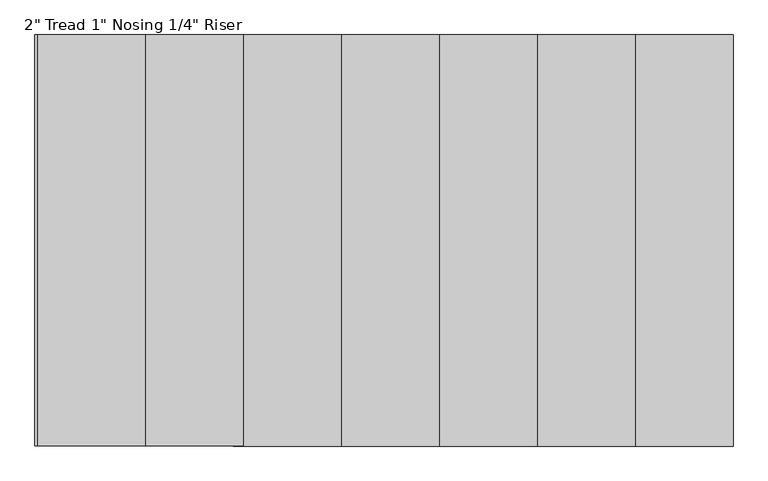
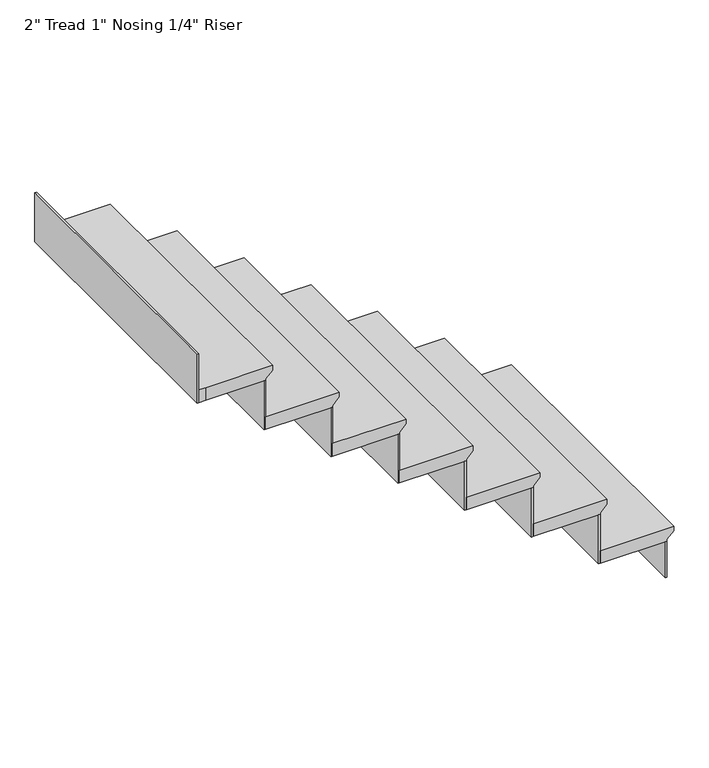
"""IFC4 building model written with IfcOpenShell, lengths in millimetres: stair flight geometry."""

from ifc_helpers import new_model, si_unit, origin, place, context, project, spatial, faceted_brep, source, transform, mapped, element, save


def stair_flight_ac3b1994(model_context):
    return source(origin(), model_context, "Body", "Brep", [
        faceted_brep([(2861.6897599, 584.3091366, -2572.2035714), (2861.6897599, 584.3091366, -2553.1535714), (2861.6897599, -482.4908634, -2553.1535714), (2861.6897599, -482.4908634, -2572.2035714), (2836.2897599, 584.3091366, -2597.6035714), (2836.2897599, -482.4908634, -2597.6035714), (2582.2897599, 584.3091366, -2553.1535714), (2582.2897599, -482.4908634, -2553.1535714), (2836.2897599, -482.4908634, -2603.9535714), (2582.2897599, -482.4908634, -2603.9535714), (2582.2897599, 584.3091366, -2603.9535714), (2836.2897599, 584.3091366, -2603.9535714)], [[[0, 1, 2, 3]], [[4, 0, 3, 5]], [[2, 1, 6, 7]], [[8, 9, 10, 11]], [[2, 7, 9, 8, 5, 3]], [[8, 11, 4, 5]], [[6, 1, 0, 4, 11, 10]], [[7, 6, 10, 9]]]),
        faceted_brep([(2836.2897599, 584.3091366, -2603.9535714), (2836.2897599, 584.3091366, -2749.55), (2829.9397599, 584.3091366, -2749.55), (2829.9397599, 584.3091366, -2603.9535714), (2836.2897599, -482.4908634, -2603.9535714), (2829.9397599, -482.4908634, -2603.9535714), (2829.9397599, -482.4908634, -2749.55), (2836.2897599, -482.4908634, -2749.55)], [[[0, 1, 2, 3]], [[4, 5, 6, 7]], [[1, 0, 4, 7]], [[2, 1, 7, 6]], [[3, 2, 6, 5]], [[0, 3, 5, 4]]]),
        faceted_brep([(2582.2897599, 584.3091366, -2407.5571429), (2582.2897599, 584.3091366, -2603.9535714), (2575.9397599, 584.3091366, -2603.9535714), (2575.9397599, 584.3091366, -2407.5571429), (2582.2897599, -482.4908634, -2407.5571429), (2575.9397599, -482.4908634, -2407.5571429), (2575.9397599, -482.4908634, -2603.9535714), (2582.2897599, -482.4908634, -2603.9535714)], [[[0, 1, 2, 3]], [[4, 5, 6, 7]], [[1, 0, 4, 7]], [[2, 1, 7, 6]], [[3, 2, 6, 5]], [[0, 3, 5, 4]]]),
        faceted_brep([(2607.6897599, -482.4908634, -2356.7571429), (2607.6897599, 584.3091366, -2356.7571429), (2328.2897599, 584.3091366, -2356.7571429), (2328.2897599, -482.4908634, -2356.7571429), (2582.2897599, -482.4908634, -2407.5571429), (2328.2897599, -482.4908634, -2407.5571429), (2328.2897599, 584.3091366, -2407.5571429), (2582.2897599, 584.3091366, -2407.5571429), (2582.2897599, -482.4908634, -2401.2071429), (2607.6897599, -482.4908634, -2375.8071429), (2582.2897599, 584.3091366, -2401.2071429), (2607.6897599, 584.3091366, -2375.8071429)], [[[0, 1, 2, 3]], [[4, 5, 6, 7]], [[0, 3, 5, 4, 8, 9]], [[4, 7, 10, 8]], [[2, 1, 11, 10, 7, 6]], [[3, 2, 6, 5]], [[11, 1, 0, 9]], [[10, 11, 9, 8]]]),
        faceted_brep([(2328.2897599, 584.3091366, -2211.1607143), (2328.2897599, 584.3091366, -2407.5571429), (2321.9397599, 584.3091366, -2407.5571429), (2321.9397599, 584.3091366, -2211.1607143), (2328.2897599, -482.4908634, -2211.1607143), (2321.9397599, -482.4908634, -2211.1607143), (2321.9397599, -482.4908634, -2407.5571429), (2328.2897599, -482.4908634, -2407.5571429)], [[[0, 1, 2, 3]], [[4, 5, 6, 7]], [[1, 0, 4, 7]], [[2, 1, 7, 6]], [[3, 2, 6, 5]], [[0, 3, 5, 4]]]),
        faceted_brep([(2353.6897599, -482.4908634, -2160.3607143), (2353.6897599, 584.3091366, -2160.3607143), (2074.2897599, 584.3091366, -2160.3607143), (2074.2897599, -482.4908634, -2160.3607143), (2328.2897599, -482.4908634, -2211.1607143), (2074.2897599, -482.4908634, -2211.1607143), (2074.2897599, 584.3091366, -2211.1607143), (2328.2897599, 584.3091366, -2211.1607143), (2328.2897599, -482.4908634, -2204.8107143), (2353.6897599, -482.4908634, -2179.4107143), (2328.2897599, 584.3091366, -2204.8107143), (2353.6897599, 584.3091366, -2179.4107143)], [[[0, 1, 2, 3]], [[4, 5, 6, 7]], [[0, 3, 5, 4, 8, 9]], [[4, 7, 10, 8]], [[2, 1, 11, 10, 7, 6]], [[3, 2, 6, 5]], [[11, 1, 0, 9]], [[10, 11, 9, 8]]]),
        faceted_brep([(2074.2897599, 584.3091366, -2014.7642857), (2074.2897599, 584.3091366, -2211.1607143), (2067.9397599, 584.3091366, -2211.1607143), (2067.9397599, 584.3091366, -2014.7642857), (2074.2897599, -482.4908634, -2014.7642857), (2067.9397599, -482.4908634, -2014.7642857), (2067.9397599, -482.4908634, -2211.1607143), (2074.2897599, -482.4908634, -2211.1607143)], [[[0, 1, 2, 3]], [[4, 5, 6, 7]], [[1, 0, 4, 7]], [[2, 1, 7, 6]], [[3, 2, 6, 5]], [[0, 3, 5, 4]]]),
        faceted_brep([(2099.6897599, -482.4908634, -1963.9642857), (2099.6897599, 584.3091366, -1963.9642857), (1820.2897599, 584.3091366, -1963.9642857), (1820.2897599, -482.4908634, -1963.9642857), (2074.2897599, -482.4908634, -2014.7642857), (1820.2897599, -482.4908634, -2014.7642857), (1820.2897599, 584.3091366, -2014.7642857), (2074.2897599, 584.3091366, -2014.7642857), (2074.2897599, -482.4908634, -2008.4142857), (2099.6897599, -482.4908634, -1983.0142857), (2074.2897599, 584.3091366, -2008.4142857), (2099.6897599, 584.3091366, -1983.0142857)], [[[0, 1, 2, 3]], [[4, 5, 6, 7]], [[0, 3, 5, 4, 8, 9]], [[4, 7, 10, 8]], [[2, 1, 11, 10, 7, 6]], [[3, 2, 6, 5]], [[11, 1, 0, 9]], [[10, 11, 9, 8]]]),
        faceted_brep([(1820.2897599, 584.3091366, -1818.3678571), (1820.2897599, 584.3091366, -2014.7642857), (1813.9397599, 584.3091366, -2014.7642857), (1813.9397599, 584.3091366, -1818.3678571), (1820.2897599, -482.4908634, -1818.3678571), (1813.9397599, -482.4908634, -1818.3678571), (1813.9397599, -482.4908634, -2014.7642857), (1820.2897599, -482.4908634, -2014.7642857)], [[[0, 1, 2, 3]], [[4, 5, 6, 7]], [[1, 0, 4, 7]], [[2, 1, 7, 6]], [[3, 2, 6, 5]], [[0, 3, 5, 4]]]),
        faceted_brep([(1845.6897599, -482.4908634, -1767.5678571), (1845.6897599, 584.3091366, -1767.5678571), (1566.2897599, 584.3091366, -1767.5678571), (1566.2897599, -482.4908634, -1767.5678571), (1820.2897599, -482.4908634, -1818.3678571), (1566.2897599, -482.4908634, -1818.3678571), (1566.2897599, 584.3091366, -1818.3678571), (1820.2897599, 584.3091366, -1818.3678571), (1820.2897599, -482.4908634, -1812.0178571), (1845.6897599, -482.4908634, -1786.6178571), (1820.2897599, 584.3091366, -1812.0178571), (1845.6897599, 584.3091366, -1786.6178571)], [[[0, 1, 2, 3]], [[4, 5, 6, 7]], [[0, 3, 5, 4, 8, 9]], [[4, 7, 10, 8]], [[2, 1, 11, 10, 7, 6]], [[3, 2, 6, 5]], [[11, 1, 0, 9]], [[10, 11, 9, 8]]]),
        faceted_brep([(1566.2897599, 584.3091366, -1621.9714286), (1566.2897599, 584.3091366, -1818.3678571), (1559.9397599, 584.3091366, -1818.3678571), (1559.9397599, 584.3091366, -1621.9714286), (1566.2897599, -482.4908634, -1621.9714286), (1559.9397599, -482.4908634, -1621.9714286), (1559.9397599, -482.4908634, -1818.3678571), (1566.2897599, -482.4908634, -1818.3678571)], [[[0, 1, 2, 3]], [[4, 5, 6, 7]], [[1, 0, 4, 7]], [[2, 1, 7, 6]], [[3, 2, 6, 5]], [[0, 3, 5, 4]]]),
        faceted_brep([(1591.6897599, -482.4908634, -1571.1714286), (1591.6897599, 584.3091366, -1571.1714286), (1312.2897599, 584.3091366, -1571.1714286), (1312.2897599, -482.4908634, -1571.1714286), (1566.2897599, -482.4908634, -1621.9714286), (1312.2897599, -482.4908634, -1621.9714286), (1312.2897599, 584.3091366, -1621.9714286), (1566.2897599, 584.3091366, -1621.9714286), (1566.2897599, -482.4908634, -1615.6214286), (1591.6897599, -482.4908634, -1590.2214286), (1566.2897599, 584.3091366, -1615.6214286), (1591.6897599, 584.3091366, -1590.2214286)], [[[0, 1, 2, 3]], [[4, 5, 6, 7]], [[0, 3, 5, 4, 8, 9]], [[4, 7, 10, 8]], [[2, 1, 11, 10, 7, 6]], [[3, 2, 6, 5]], [[11, 1, 0, 9]], [[10, 11, 9, 8]]]),
        faceted_brep([(1058.2897599, 584.3091366, -1229.1785714), (1058.2897599, 584.3091366, -1425.575), (1051.9397599, 584.3091366, -1425.575), (1051.9397599, 584.3091366, -1229.1785714), (1058.2897599, -482.4908634, -1229.1785714), (1051.9397599, -482.4908634, -1229.1785714), (1051.9397599, -482.4908634, -1425.575), (1058.2897599, -482.4908634, -1425.575)], [[[0, 1, 2, 3]], [[4, 5, 6, 7]], [[1, 0, 4, 7]], [[2, 1, 7, 6]], [[3, 2, 6, 5]], [[0, 3, 5, 4]]]),
        faceted_brep([(1312.2897599, 584.3091366, -1425.575), (1312.2897599, 584.3091366, -1621.9714286), (1305.9397599, 584.3091366, -1621.9714286), (1305.9397599, 584.3091366, -1425.575), (1312.2897599, -482.4908634, -1425.575), (1305.9397599, -482.4908634, -1425.575), (1305.9397599, -482.4908634, -1621.9714286), (1312.2897599, -482.4908634, -1621.9714286)], [[[0, 1, 2, 3]], [[4, 5, 6, 7]], [[1, 0, 4, 7]], [[2, 1, 7, 6]], [[3, 2, 6, 5]], [[0, 3, 5, 4]]]),
        faceted_brep([(1058.2897599, -482.4908634, -1374.775), (1083.6897599, -482.4908634, -1374.775), (1337.6897599, -482.4908634, -1374.775), (1337.6897599, 584.3091366, -1374.775), (1058.2897599, 584.3091366, -1374.775), (1083.6897599, -482.4908634, -1425.575), (1058.2897599, -482.4908634, -1425.575), (1058.2897599, 584.3091366, -1425.575), (1312.2897599, 584.3091366, -1425.575), (1312.2897599, -482.4908634, -1425.575), (1312.2897599, -482.4908634, -1419.225), (1337.6897599, -482.4908634, -1393.825), (1312.2897599, 584.3091366, -1419.225), (1337.6897599, 584.3091366, -1393.825)], [[[0, 1, 2, 3, 4]], [[5, 6, 7, 8, 9]], [[1, 0, 6, 5]], [[2, 1, 5, 9, 10, 11]], [[9, 8, 12, 10]], [[4, 3, 13, 12, 8, 7]], [[0, 4, 7, 6]], [[13, 3, 2, 11]], [[12, 13, 11, 10]]]),
    ])


if __name__ == "__main__":
    model = new_model("IFC4")
    model_context = context("Model", 3, world=origin())
    ifc_project = project(units=[si_unit("LENGTHUNIT", "METRE", prefix="MILLI")], contexts=[model_context])
    site = spatial("IfcSite", under=ifc_project)
    building = spatial("IfcBuilding", under=site)
    placement = place(None, origin())
    stair_flight_shape = stair_flight_ac3b1994(model_context)
    element("IfcStairFlight", 1, ObjectType="2\" Tread 1\" Nosing 1/4\" Riser", at=placement, inside=building, context=model_context, shape_type="MappedRepresentation", body=[
        mapped(stair_flight_shape, transform((0.0, 0.0, 0.0), x_axis=(1.0, 0.0, 0.0), y_axis=(0.0, 1.0, 0.0), z_axis=(0.0, 0.0, 1.0))),
    ])
    save(model, "model.ifc")
